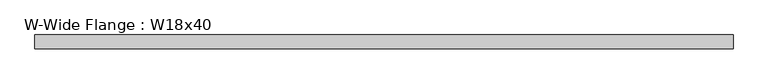
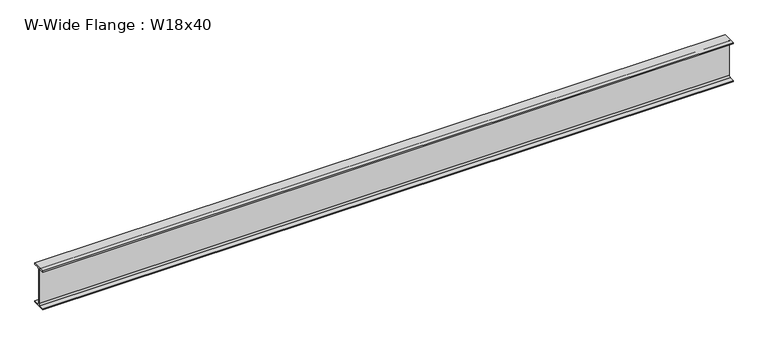
"""IFC4 building model written with IfcOpenShell, lengths in millimetres: beam geometry, W-Wide Flange : W18x40."""

from ifc_helpers import new_model, si_unit, point, frame, frame_2d, origin, place, context, project, spatial, polyline, circle_curve, trimmed, segment, composite_curve, outline, extrude, source, transform, mapped, element, save


def w_wide_flange_w18x40_45b24f34(model_context):
    return source(origin(), model_context, "Body", "SweptSolid", [
        extrude(outline(composite_curve([segment(polyline([(76.454, -213.995), (76.454, -227.33), (-76.454, -227.33), (-76.454, -213.995), (-20.828, -213.995)]), True, "CONTINUOUS"), segment(trimmed(circle_curve(frame_2d((-20.828, -197.1675)), 16.8275), [point((-20.828, -213.995))], [point((-4.0005, -197.1675))], True, "CARTESIAN"), True, "CONTINUOUS"), segment(polyline([(-4.0005, -197.1675), (-4.0005, 197.1675)]), True, "CONTINUOUS"), segment(trimmed(circle_curve(frame_2d((-20.828, 197.1675)), 16.8275), [point((-4.0005, 197.1675))], [point((-20.828, 213.995))], True, "CARTESIAN"), True, "CONTINUOUS"), segment(polyline([(-20.828, 213.995), (-76.454, 213.995), (-76.454, 227.33), (76.454, 227.33), (76.454, 213.995), (20.828, 213.995)]), True, "CONTINUOUS"), segment(trimmed(circle_curve(frame_2d((20.828, 197.1675)), 16.8275), [point((20.828, 213.995))], [point((4.0005, 197.1675))], True, "CARTESIAN"), True, "CONTINUOUS"), segment(polyline([(4.0005, 197.1675), (4.0005, -197.1675)]), True, "CONTINUOUS"), segment(trimmed(circle_curve(frame_2d((20.828, -197.1675)), 16.8275), [point((4.0005, -197.1675))], [point((20.828, -213.995))], True, "CARTESIAN"), True, "CONTINUOUS"), segment(polyline([(20.828, -213.995), (76.454, -213.995)]), True, "CONTINUOUS")], self_intersect=False)), frame((-3847.973, 0.0, 0.0), z_axis=(1.0, 0.0, 0.0), x_axis=(0.0, 1.0, 0.0)), (0.0, 0.0, 1.0), 7644.003),
    ])


if __name__ == "__main__":
    model = new_model("IFC4")
    model_context = context("Model", 3, world=origin())
    ifc_project = project(units=[si_unit("LENGTHUNIT", "METRE", prefix="MILLI")], contexts=[model_context])
    site = spatial("IfcSite", under=ifc_project)
    building = spatial("IfcBuilding", under=site)
    placement = place(None, origin())
    w_wide_flange_w18x40_shape = w_wide_flange_w18x40_45b24f34(model_context)
    element("IfcBeam", 1, ObjectType="W-Wide Flange : W18x40", at=placement, inside=building, context=model_context, shape_type="MappedRepresentation", body=[
        mapped(w_wide_flange_w18x40_shape, transform((0.0, 0.0, 0.0), x_axis=(1.0, 0.0, 0.0), y_axis=(0.0, 1.0, 0.0), z_axis=(0.0, 0.0, 1.0))),
    ])
    save(model, "model.ifc")
